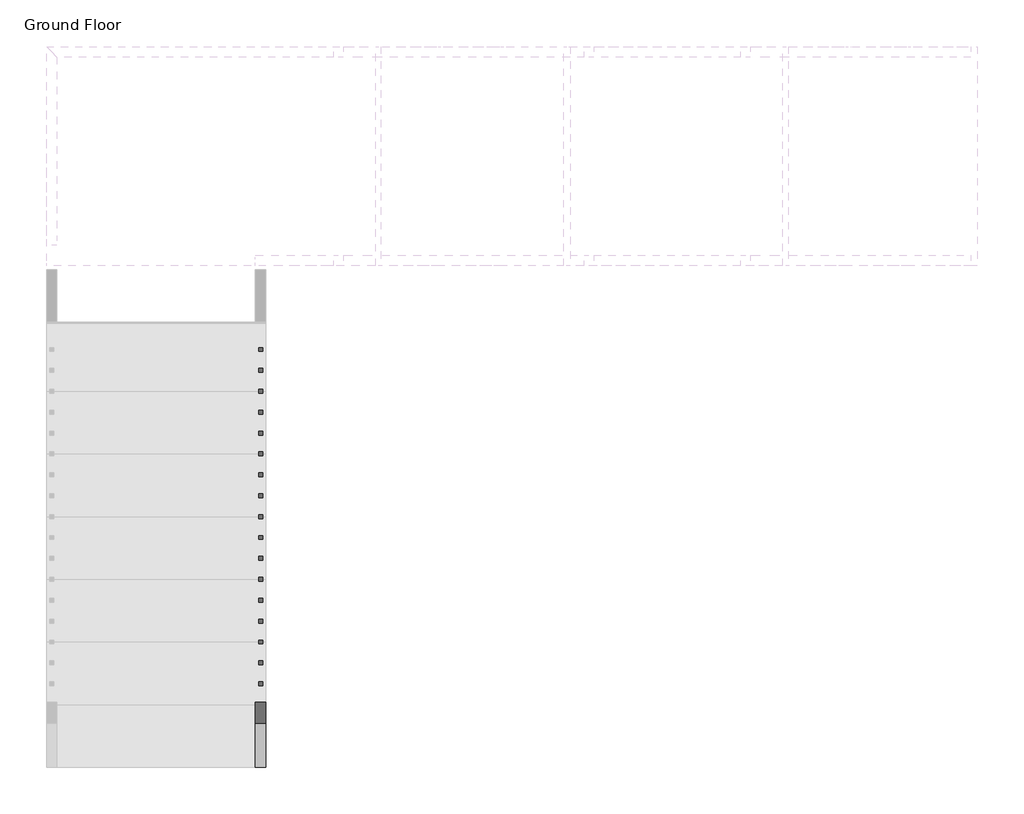
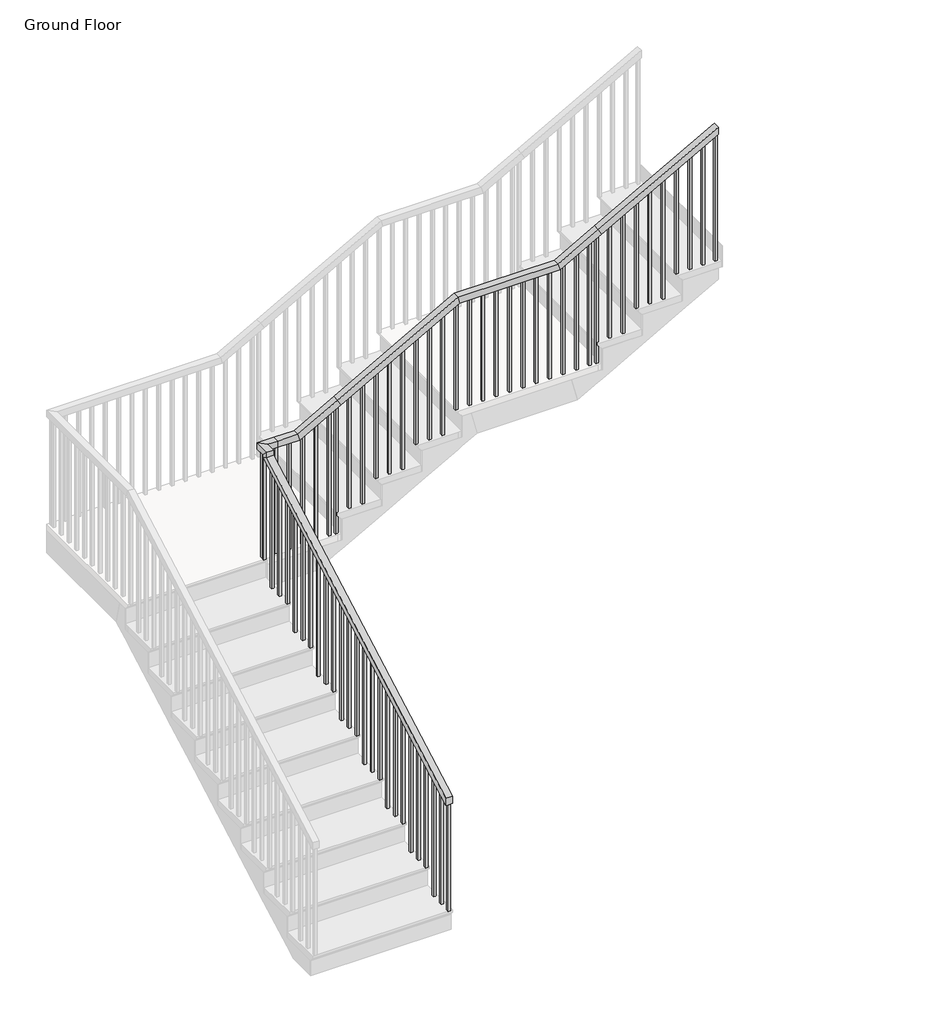
# One storey, part 5 of 10: 1 railing.
"""IFC4 building model written with IfcOpenShell, lengths in millimetres."""

from ifc_helpers import new_model, si_unit, frame, origin, place, context, project, spatial, polyline, outline, extrude, faceted_brep, element, save

model = new_model("IFC4")

# Units and contexts
model_context = context("Model", 3, world=origin())
ifc_project = project(units=[si_unit("LENGTHUNIT", "METRE", prefix="MILLI")], contexts=[model_context])

# Site, building, storey
site = spatial("IfcSite", under=ifc_project)
building = spatial("IfcBuilding", under=site)
storey = spatial("IfcBuildingStorey", under=building, Name="Ground Floor", Elevation=0.0)

# Railing
placement = place(None, origin())
element("IfcRailing", 1, ObjectType="Handrail - Rectangular", at=placement, inside=storey, context=model_context, shape_type="SolidModel", body=[
    faceted_brep([(37586.4404708, -15539.550078, 1083.2352941), (37586.4404708, -15539.550078, 1025.162448), (37637.2404708, -15539.550078, 1025.162448), (37637.2404708, -15539.550078, 1083.2352941), (37586.4404708, -13177.350078, 2391.7088235), (37586.4404708, -13126.550078, 2361.7751931), (37637.2404708, -13126.550078, 2361.7751931), (37637.2404708, -13177.350078, 2391.7088235), (37586.4404708, -13177.350078, 2433.9176471), (37586.4404708, -13126.550078, 2383.1176471), (37637.2404708, -13126.550078, 2383.1176471), (37637.2404708, -13177.350078, 2433.9176471), (37586.4404708, -13050.350078, 2433.9176471), (37586.4404708, -13050.350078, 2383.1176471), (37637.2404708, -13101.150078, 2383.1176471), (37637.2404708, -13101.150078, 2433.9176471), (37713.4404708, -13050.350078, 2433.9176471), (37713.4404708, -13050.350078, 2383.1176471), (37713.4404708, -13101.150078, 2383.1176471), (37713.4404708, -13101.150078, 2433.9176471), (37865.8404708, -13050.350078, 2433.9176471), (37878.9702107, -13050.350078, 2383.1176471), (37878.9702107, -13101.150078, 2383.1176471), (37865.8404708, -13101.150078, 2433.9176471), (38195.2556266, -13050.350078, 2558.3149608), (38170.6404708, -13050.350078, 2602.7529412), (39085.0404708, -13050.350078, 3109.2588235), (39098.1702107, -13050.350078, 3058.4588235), (38195.2556266, -13101.150078, 2558.3149608), (39098.1702107, -13101.150078, 3058.4588235), (38170.6404708, -13101.150078, 2602.7529412), (39085.0404708, -13101.150078, 3109.2588235), (39847.0404708, -13050.350078, 3109.2588235), (39860.1702107, -13050.350078, 3058.4588235), (39860.1702107, -13101.150078, 3058.4588235), (39847.0404708, -13101.150078, 3109.2588235), (40151.8404708, -13050.350078, 3278.0941176), (40176.4556266, -13050.350078, 3233.6561372), (40176.4556266, -13101.150078, 3233.6561372), (40151.8404708, -13101.150078, 3278.0941176), (41066.2404708, -13050.350078, 3784.6), (41066.2404708, -13101.150078, 3784.6), (41066.2404708, -13101.150078, 3726.5271539), (41066.2404708, -13050.350078, 3726.5271539)], [[[0, 1, 2, 3]], [[1, 0, 4, 5]], [[2, 1, 5, 6]], [[3, 2, 6, 7]], [[0, 3, 7, 4]], [[5, 4, 8, 9]], [[6, 5, 9, 10]], [[7, 6, 10, 11]], [[4, 7, 11, 8]], [[9, 8, 12, 13]], [[10, 9, 13, 14]], [[11, 10, 14, 15]], [[8, 11, 15, 12]], [[13, 12, 16, 17]], [[14, 13, 17, 18]], [[15, 14, 18, 19]], [[12, 15, 19, 16]], [[17, 16, 20, 21]], [[18, 17, 21, 22]], [[19, 18, 22, 23]], [[16, 19, 23, 20]], [[24, 25, 26, 27]], [[28, 24, 27, 29]], [[30, 28, 29, 31]], [[25, 30, 31, 26]], [[27, 26, 32, 33]], [[29, 27, 33, 34]], [[31, 29, 34, 35]], [[26, 31, 35, 32]], [[21, 20, 25, 24]], [[22, 21, 24, 28]], [[23, 22, 28, 30]], [[20, 23, 30, 25]], [[33, 32, 36, 37]], [[34, 33, 37, 38]], [[35, 34, 38, 39]], [[32, 35, 39, 36]], [[40, 41, 42, 43]], [[37, 36, 40, 43]], [[38, 37, 43, 42]], [[39, 38, 42, 41]], [[36, 39, 41, 40]]]),
    extrude(outline(polyline([(3675.5248254, 40974.1654708), (3664.9726195, 40955.1154708), (2701.3647059, 40955.1154708), (2701.3647059, 40974.1654708), (3675.5248254, 40974.1654708)])), frame((0.0, -13085.275078, 0.0), z_axis=(0.0, 1.0, 0.0), x_axis=(0.0, 0.0, 1.0)), (0.0, 0.0, 1.0), 19.05),
    extrude(outline(polyline([(3619.2463941, 40872.5654708), (3608.6941882, 40853.5154708), (2701.3647059, 40853.5154708), (2701.3647059, 40872.5654708), (3619.2463941, 40872.5654708)])), frame((0.0, -13085.275078, 0.0), z_axis=(0.0, 1.0, 0.0), x_axis=(0.0, 0.0, 1.0)), (0.0, 0.0, 1.0), 19.05),
    extrude(outline(polyline([(3562.9679627, 40770.9654708), (3552.4157568, 40751.9154708), (2701.3647059, 40751.9154708), (2701.3647059, 40770.9654708), (3562.9679627, 40770.9654708)])), frame((0.0, -13085.275078, 0.0), z_axis=(0.0, 1.0, 0.0), x_axis=(0.0, 0.0, 1.0)), (0.0, 0.0, 1.0), 19.05),
    extrude(outline(polyline([(3506.6895313, 40669.3654708), (3496.1373254, 40650.3154708), (2532.5294118, 40650.3154708), (2532.5294118, 40669.3654708), (3506.6895313, 40669.3654708)])), frame((0.0, -13085.275078, 0.0), z_axis=(0.0, 1.0, 0.0), x_axis=(0.0, 0.0, 1.0)), (0.0, 0.0, 1.0), 19.05),
    extrude(outline(polyline([(3450.4110999, 40567.7654708), (3439.8588941, 40548.7154708), (2532.5294118, 40548.7154708), (2532.5294118, 40567.7654708), (3450.4110999, 40567.7654708)])), frame((0.0, -13085.275078, 0.0), z_axis=(0.0, 1.0, 0.0), x_axis=(0.0, 0.0, 1.0)), (0.0, 0.0, 1.0), 19.05),
    extrude(outline(polyline([(3394.1326686, 40466.1654708), (3383.5804627, 40447.1154708), (2532.5294118, 40447.1154708), (2532.5294118, 40466.1654708), (3394.1326686, 40466.1654708)])), frame((0.0, -13085.275078, 0.0), z_axis=(0.0, 1.0, 0.0), x_axis=(0.0, 0.0, 1.0)), (0.0, 0.0, 1.0), 19.05),
    extrude(outline(polyline([(3337.8542372, 40364.5654708), (3327.3020313, 40345.5154708), (2363.6941176, 40345.5154708), (2363.6941176, 40364.5654708), (3337.8542372, 40364.5654708)])), frame((0.0, -13085.275078, 0.0), z_axis=(0.0, 1.0, 0.0), x_axis=(0.0, 0.0, 1.0)), (0.0, 0.0, 1.0), 19.05),
    extrude(outline(polyline([(3281.5758058, 40262.9654708), (3271.0235999, 40243.9154708), (2363.6941176, 40243.9154708), (2363.6941176, 40262.9654708), (3281.5758058, 40262.9654708)])), frame((0.0, -13085.275078, 0.0), z_axis=(0.0, 1.0, 0.0), x_axis=(0.0, 0.0, 1.0)), (0.0, 0.0, 1.0), 19.05),
    extrude(outline(polyline([(3197.1581588, 40110.5654708), (3186.6059529, 40091.5154708), (2194.8588235, 40091.5154708), (2194.8588235, 40110.5654708), (3197.1581588, 40110.5654708)])), frame((0.0, -13085.275078, 0.0), z_axis=(0.0, 1.0, 0.0), x_axis=(0.0, 0.0, 1.0)), (0.0, 0.0, 1.0), 19.05),
    extrude(outline(polyline([(3140.8797274, 40008.9654708), (3130.3275215, 39989.9154708), (2194.8588235, 39989.9154708), (2194.8588235, 40008.9654708), (3140.8797274, 40008.9654708)])), frame((0.0, -13085.275078, 0.0), z_axis=(0.0, 1.0, 0.0), x_axis=(0.0, 0.0, 1.0)), (0.0, 0.0, 1.0), 19.05),
    extrude(outline(polyline([(3084.601296, 39907.3654708), (3074.0490901, 39888.3154708), (2194.8588235, 39888.3154708), (2194.8588235, 39907.3654708), (3084.601296, 39907.3654708)])), frame((0.0, -13085.275078, 0.0), z_axis=(0.0, 1.0, 0.0), x_axis=(0.0, 0.0, 1.0)), (0.0, 0.0, 1.0), 19.05),
    extrude(outline(polyline([(39786.7154708, -13085.275078), (39786.7154708, -13066.225078), (39805.7654708, -13066.225078), (39805.7654708, -13085.275078), (39786.7154708, -13085.275078)])), frame((0.0, 0.0, 2194.8588235), z_axis=(0.0, 0.0, 1.0), x_axis=(1.0, 0.0, 0.0)), (0.0, 0.0, 1.0), 863.6),
    extrude(outline(polyline([(39685.1154708, -13085.275078), (39685.1154708, -13066.225078), (39704.1654708, -13066.225078), (39704.1654708, -13085.275078), (39685.1154708, -13085.275078)])), frame((0.0, 0.0, 2194.8588235), z_axis=(0.0, 0.0, 1.0), x_axis=(1.0, 0.0, 0.0)), (0.0, 0.0, 1.0), 863.6),
    extrude(outline(polyline([(39583.5154708, -13085.275078), (39583.5154708, -13066.225078), (39602.5654708, -13066.225078), (39602.5654708, -13085.275078), (39583.5154708, -13085.275078)])), frame((0.0, 0.0, 2194.8588235), z_axis=(0.0, 0.0, 1.0), x_axis=(1.0, 0.0, 0.0)), (0.0, 0.0, 1.0), 863.6),
    extrude(outline(polyline([(39481.9154708, -13085.275078), (39481.9154708, -13066.225078), (39500.9654708, -13066.225078), (39500.9654708, -13085.275078), (39481.9154708, -13085.275078)])), frame((0.0, 0.0, 2194.8588235), z_axis=(0.0, 0.0, 1.0), x_axis=(1.0, 0.0, 0.0)), (0.0, 0.0, 1.0), 863.6),
    extrude(outline(polyline([(39380.3154708, -13085.275078), (39380.3154708, -13066.225078), (39399.3654708, -13066.225078), (39399.3654708, -13085.275078), (39380.3154708, -13085.275078)])), frame((0.0, 0.0, 2194.8588235), z_axis=(0.0, 0.0, 1.0), x_axis=(1.0, 0.0, 0.0)), (0.0, 0.0, 1.0), 863.6),
    extrude(outline(polyline([(39278.7154708, -13085.275078), (39278.7154708, -13066.225078), (39297.7654708, -13066.225078), (39297.7654708, -13085.275078), (39278.7154708, -13085.275078)])), frame((0.0, 0.0, 2194.8588235), z_axis=(0.0, 0.0, 1.0), x_axis=(1.0, 0.0, 0.0)), (0.0, 0.0, 1.0), 863.6),
    extrude(outline(polyline([(39177.1154708, -13085.275078), (39177.1154708, -13066.225078), (39196.1654708, -13066.225078), (39196.1654708, -13085.275078), (39177.1154708, -13085.275078)])), frame((0.0, 0.0, 2194.8588235), z_axis=(0.0, 0.0, 1.0), x_axis=(1.0, 0.0, 0.0)), (0.0, 0.0, 1.0), 863.6),
    extrude(outline(polyline([(3000.183649, 38992.9654708), (2989.6314431, 38973.9154708), (2026.0235294, 38973.9154708), (2026.0235294, 38992.9654708), (3000.183649, 38992.9654708)])), frame((0.0, -13085.275078, 0.0), z_axis=(0.0, 1.0, 0.0), x_axis=(0.0, 0.0, 1.0)), (0.0, 0.0, 1.0), 19.05),
    extrude(outline(polyline([(2943.9052176, 38891.3654708), (2933.3530117, 38872.3154708), (2026.0235294, 38872.3154708), (2026.0235294, 38891.3654708), (2943.9052176, 38891.3654708)])), frame((0.0, -13085.275078, 0.0), z_axis=(0.0, 1.0, 0.0), x_axis=(0.0, 0.0, 1.0)), (0.0, 0.0, 1.0), 19.05),
    extrude(outline(polyline([(2887.6267862, 38789.7654708), (2877.0745803, 38770.7154708), (2026.0235294, 38770.7154708), (2026.0235294, 38789.7654708), (2887.6267862, 38789.7654708)])), frame((0.0, -13085.275078, 0.0), z_axis=(0.0, 1.0, 0.0), x_axis=(0.0, 0.0, 1.0)), (0.0, 0.0, 1.0), 19.05),
    extrude(outline(polyline([(2831.3483548, 38688.1654708), (2820.796149, 38669.1154708), (1857.1882353, 38669.1154708), (1857.1882353, 38688.1654708), (2831.3483548, 38688.1654708)])), frame((0.0, -13085.275078, 0.0), z_axis=(0.0, 1.0, 0.0), x_axis=(0.0, 0.0, 1.0)), (0.0, 0.0, 1.0), 19.05),
    extrude(outline(polyline([(2775.0699235, 38586.5654708), (2764.5177176, 38567.5154708), (1857.1882353, 38567.5154708), (1857.1882353, 38586.5654708), (2775.0699235, 38586.5654708)])), frame((0.0, -13085.275078, 0.0), z_axis=(0.0, 1.0, 0.0), x_axis=(0.0, 0.0, 1.0)), (0.0, 0.0, 1.0), 19.05),
    extrude(outline(polyline([(2718.7914921, 38484.9654708), (2708.2392862, 38465.9154708), (1857.1882353, 38465.9154708), (1857.1882353, 38484.9654708), (2718.7914921, 38484.9654708)])), frame((0.0, -13085.275078, 0.0), z_axis=(0.0, 1.0, 0.0), x_axis=(0.0, 0.0, 1.0)), (0.0, 0.0, 1.0), 19.05),
    extrude(outline(polyline([(2662.5130607, 38383.3654708), (2651.9608548, 38364.3154708), (1688.3529412, 38364.3154708), (1688.3529412, 38383.3654708), (2662.5130607, 38383.3654708)])), frame((0.0, -13085.275078, 0.0), z_axis=(0.0, 1.0, 0.0), x_axis=(0.0, 0.0, 1.0)), (0.0, 0.0, 1.0), 19.05),
    extrude(outline(polyline([(2606.2346293, 38281.7654708), (2595.6824235, 38262.7154708), (1688.3529412, 38262.7154708), (1688.3529412, 38281.7654708), (2606.2346293, 38281.7654708)])), frame((0.0, -13085.275078, 0.0), z_axis=(0.0, 1.0, 0.0), x_axis=(0.0, 0.0, 1.0)), (0.0, 0.0, 1.0), 19.05),
    extrude(outline(polyline([(2521.8169823, 38129.3654708), (2511.2647764, 38110.3154708), (1519.5176471, 38110.3154708), (1519.5176471, 38129.3654708), (2521.8169823, 38129.3654708)])), frame((0.0, -13085.275078, 0.0), z_axis=(0.0, 1.0, 0.0), x_axis=(0.0, 0.0, 1.0)), (0.0, 0.0, 1.0), 19.05),
    extrude(outline(polyline([(2465.5385509, 38027.7654708), (2454.986345, 38008.7154708), (1519.5176471, 38008.7154708), (1519.5176471, 38027.7654708), (2465.5385509, 38027.7654708)])), frame((0.0, -13085.275078, 0.0), z_axis=(0.0, 1.0, 0.0), x_axis=(0.0, 0.0, 1.0)), (0.0, 0.0, 1.0), 19.05),
    extrude(outline(polyline([(2409.2601195, 37926.1654708), (2398.7079137, 37907.1154708), (1519.5176471, 37907.1154708), (1519.5176471, 37926.1654708), (2409.2601195, 37926.1654708)])), frame((0.0, -13085.275078, 0.0), z_axis=(0.0, 1.0, 0.0), x_axis=(0.0, 0.0, 1.0)), (0.0, 0.0, 1.0), 19.05),
    extrude(outline(polyline([(37805.5154708, -13085.275078), (37805.5154708, -13066.225078), (37824.5654708, -13066.225078), (37824.5654708, -13085.275078), (37805.5154708, -13085.275078)])), frame((0.0, 0.0, 1519.5176471), z_axis=(0.0, 0.0, 1.0), x_axis=(1.0, 0.0, 0.0)), (0.0, 0.0, 1.0), 863.6),
    extrude(outline(polyline([(37703.9154708, -13085.275078), (37703.9154708, -13066.225078), (37722.9654708, -13066.225078), (37722.9654708, -13085.275078), (37703.9154708, -13085.275078)])), frame((0.0, 0.0, 1519.5176471), z_axis=(0.0, 0.0, 1.0), x_axis=(1.0, 0.0, 0.0)), (0.0, 0.0, 1.0), 863.6),
    extrude(outline(polyline([(37621.3654708, -13110.675078), (37602.3154708, -13110.675078), (37602.3154708, -13091.625078), (37621.3654708, -13091.625078), (37621.3654708, -13110.675078)])), frame((0.0, 0.0, 1519.5176471), z_axis=(0.0, 0.0, 1.0), x_axis=(1.0, 0.0, 0.0)), (0.0, 0.0, 1.0), 863.6),
    extrude(outline(polyline([(-13212.275078, 2314.2902666), (-13193.225078, 2324.8424725), (-13193.225078, 1350.6823529), (-13212.275078, 1350.6823529), (-13212.275078, 2314.2902666)])), frame((37602.3154708, 0.0, 0.0), z_axis=(1.0, 0.0, 0.0), x_axis=(0.0, 1.0, 0.0)), (0.0, 0.0, 1.0), 19.05),
    extrude(outline(polyline([(-13313.875078, 2258.0118352), (-13294.825078, 2268.5640411), (-13294.825078, 1350.6823529), (-13313.875078, 1350.6823529), (-13313.875078, 2258.0118352)])), frame((37602.3154708, 0.0, 0.0), z_axis=(1.0, 0.0, 0.0), x_axis=(0.0, 1.0, 0.0)), (0.0, 0.0, 1.0), 19.05),
    extrude(outline(polyline([(-13415.475078, 2201.7334039), (-13396.425078, 2212.2856097), (-13396.425078, 1350.6823529), (-13415.475078, 1350.6823529), (-13415.475078, 2201.7334039)])), frame((37602.3154708, 0.0, 0.0), z_axis=(1.0, 0.0, 0.0), x_axis=(0.0, 1.0, 0.0)), (0.0, 0.0, 1.0), 19.05),
    extrude(outline(polyline([(-13517.075078, 2145.4549725), (-13498.025078, 2156.0071784), (-13498.025078, 1181.8470588), (-13517.075078, 1181.8470588), (-13517.075078, 2145.4549725)])), frame((37602.3154708, 0.0, 0.0), z_axis=(1.0, 0.0, 0.0), x_axis=(0.0, 1.0, 0.0)), (0.0, 0.0, 1.0), 19.05),
    extrude(outline(polyline([(-13618.675078, 2089.1765411), (-13599.625078, 2099.728747), (-13599.625078, 1181.8470588), (-13618.675078, 1181.8470588), (-13618.675078, 2089.1765411)])), frame((37602.3154708, 0.0, 0.0), z_axis=(1.0, 0.0, 0.0), x_axis=(0.0, 1.0, 0.0)), (0.0, 0.0, 1.0), 19.05),
    extrude(outline(polyline([(-13720.275078, 2032.8981097), (-13701.225078, 2043.4503156), (-13701.225078, 1181.8470588), (-13720.275078, 1181.8470588), (-13720.275078, 2032.8981097)])), frame((37602.3154708, 0.0, 0.0), z_axis=(1.0, 0.0, 0.0), x_axis=(0.0, 1.0, 0.0)), (0.0, 0.0, 1.0), 19.05),
    extrude(outline(polyline([(-13821.875078, 1976.6196784), (-13802.825078, 1987.1718842), (-13802.825078, 1013.0117647), (-13821.875078, 1013.0117647), (-13821.875078, 1976.6196784)])), frame((37602.3154708, 0.0, 0.0), z_axis=(1.0, 0.0, 0.0), x_axis=(0.0, 1.0, 0.0)), (0.0, 0.0, 1.0), 19.05),
    extrude(outline(polyline([(-13923.475078, 1920.341247), (-13904.425078, 1930.8934529), (-13904.425078, 1013.0117647), (-13923.475078, 1013.0117647), (-13923.475078, 1920.341247)])), frame((37602.3154708, 0.0, 0.0), z_axis=(1.0, 0.0, 0.0), x_axis=(0.0, 1.0, 0.0)), (0.0, 0.0, 1.0), 19.05),
    extrude(outline(polyline([(-14025.075078, 1864.0628156), (-14006.025078, 1874.6150215), (-14006.025078, 1013.0117647), (-14025.075078, 1013.0117647), (-14025.075078, 1864.0628156)])), frame((37602.3154708, 0.0, 0.0), z_axis=(1.0, 0.0, 0.0), x_axis=(0.0, 1.0, 0.0)), (0.0, 0.0, 1.0), 19.05),
    extrude(outline(polyline([(-14126.675078, 1807.7843842), (-14107.625078, 1818.3365901), (-14107.625078, 844.1764706), (-14126.675078, 844.1764706), (-14126.675078, 1807.7843842)])), frame((37602.3154708, 0.0, 0.0), z_axis=(1.0, 0.0, 0.0), x_axis=(0.0, 1.0, 0.0)), (0.0, 0.0, 1.0), 19.05),
    extrude(outline(polyline([(-14228.275078, 1751.5059529), (-14209.225078, 1762.0581588), (-14209.225078, 844.1764706), (-14228.275078, 844.1764706), (-14228.275078, 1751.5059529)])), frame((37602.3154708, 0.0, 0.0), z_axis=(1.0, 0.0, 0.0), x_axis=(0.0, 1.0, 0.0)), (0.0, 0.0, 1.0), 19.05),
    extrude(outline(polyline([(-14329.875078, 1695.2275215), (-14310.825078, 1705.7797274), (-14310.825078, 844.1764706), (-14329.875078, 844.1764706), (-14329.875078, 1695.2275215)])), frame((37602.3154708, 0.0, 0.0), z_axis=(1.0, 0.0, 0.0), x_axis=(0.0, 1.0, 0.0)), (0.0, 0.0, 1.0), 19.05),
    extrude(outline(polyline([(-14431.475078, 1638.9490901), (-14412.425078, 1649.501296), (-14412.425078, 675.3411765), (-14431.475078, 675.3411765), (-14431.475078, 1638.9490901)])), frame((37602.3154708, 0.0, 0.0), z_axis=(1.0, 0.0, 0.0), x_axis=(0.0, 1.0, 0.0)), (0.0, 0.0, 1.0), 19.05),
    extrude(outline(polyline([(-14533.075078, 1582.6706588), (-14514.025078, 1593.2228646), (-14514.025078, 675.3411765), (-14533.075078, 675.3411765), (-14533.075078, 1582.6706588)])), frame((37602.3154708, 0.0, 0.0), z_axis=(1.0, 0.0, 0.0), x_axis=(0.0, 1.0, 0.0)), (0.0, 0.0, 1.0), 19.05),
    extrude(outline(polyline([(-14634.675078, 1526.3922274), (-14615.625078, 1536.9444333), (-14615.625078, 675.3411765), (-14634.675078, 675.3411765), (-14634.675078, 1526.3922274)])), frame((37602.3154708, 0.0, 0.0), z_axis=(1.0, 0.0, 0.0), x_axis=(0.0, 1.0, 0.0)), (0.0, 0.0, 1.0), 19.05),
    extrude(outline(polyline([(-14736.275078, 1470.113796), (-14717.225078, 1480.6660019), (-14717.225078, 506.5058824), (-14736.275078, 506.5058824), (-14736.275078, 1470.113796)])), frame((37602.3154708, 0.0, 0.0), z_axis=(1.0, 0.0, 0.0), x_axis=(0.0, 1.0, 0.0)), (0.0, 0.0, 1.0), 19.05),
    extrude(outline(polyline([(-14837.875078, 1413.8353646), (-14818.825078, 1424.3875705), (-14818.825078, 506.5058824), (-14837.875078, 506.5058824), (-14837.875078, 1413.8353646)])), frame((37602.3154708, 0.0, 0.0), z_axis=(1.0, 0.0, 0.0), x_axis=(0.0, 1.0, 0.0)), (0.0, 0.0, 1.0), 19.05),
    extrude(outline(polyline([(-14939.475078, 1357.5569333), (-14920.425078, 1368.1091391), (-14920.425078, 506.5058824), (-14939.475078, 506.5058824), (-14939.475078, 1357.5569333)])), frame((37602.3154708, 0.0, 0.0), z_axis=(1.0, 0.0, 0.0), x_axis=(0.0, 1.0, 0.0)), (0.0, 0.0, 1.0), 19.05),
    extrude(outline(polyline([(-15041.075078, 1301.2785019), (-15022.025078, 1311.8307078), (-15022.025078, 337.6705882), (-15041.075078, 337.6705882), (-15041.075078, 1301.2785019)])), frame((37602.3154708, 0.0, 0.0), z_axis=(1.0, 0.0, 0.0), x_axis=(0.0, 1.0, 0.0)), (0.0, 0.0, 1.0), 19.05),
    extrude(outline(polyline([(-15142.675078, 1245.0000705), (-15123.625078, 1255.5522764), (-15123.625078, 337.6705882), (-15142.675078, 337.6705882), (-15142.675078, 1245.0000705)])), frame((37602.3154708, 0.0, 0.0), z_axis=(1.0, 0.0, 0.0), x_axis=(0.0, 1.0, 0.0)), (0.0, 0.0, 1.0), 19.05),
    extrude(outline(polyline([(-15244.275078, 1188.7216391), (-15225.225078, 1199.273845), (-15225.225078, 337.6705882), (-15244.275078, 337.6705882), (-15244.275078, 1188.7216391)])), frame((37602.3154708, 0.0, 0.0), z_axis=(1.0, 0.0, 0.0), x_axis=(0.0, 1.0, 0.0)), (0.0, 0.0, 1.0), 19.05),
    extrude(outline(polyline([(-15345.875078, 1132.4432078), (-15326.825078, 1142.9954137), (-15326.825078, 168.8352941), (-15345.875078, 168.8352941), (-15345.875078, 1132.4432078)])), frame((37602.3154708, 0.0, 0.0), z_axis=(1.0, 0.0, 0.0), x_axis=(0.0, 1.0, 0.0)), (0.0, 0.0, 1.0), 19.05),
    extrude(outline(polyline([(-15447.475078, 1076.1647764), (-15428.425078, 1086.7169823), (-15428.425078, 168.8352941), (-15447.475078, 168.8352941), (-15447.475078, 1076.1647764)])), frame((37602.3154708, 0.0, 0.0), z_axis=(1.0, 0.0, 0.0), x_axis=(0.0, 1.0, 0.0)), (0.0, 0.0, 1.0), 19.05),
    extrude(outline(polyline([(3225.2973744, 40161.3654708), (3214.7451686, 40142.3154708), (2194.8588235, 40142.3154708), (2194.8588235, 40161.3654708), (3225.2973744, 40161.3654708)])), frame((0.0, -13085.275078, 0.0), z_axis=(0.0, 1.0, 0.0), x_axis=(0.0, 0.0, 1.0)), (0.0, 0.0, 1.0), 19.05),
    extrude(outline(polyline([(3056.4620803, 39094.5654708), (3045.9098744, 39075.5154708), (2194.8588235, 39075.5154708), (2194.8588235, 39094.5654708), (3056.4620803, 39094.5654708)])), frame((0.0, -13085.275078, 0.0), z_axis=(0.0, 1.0, 0.0), x_axis=(0.0, 0.0, 1.0)), (0.0, 0.0, 1.0), 19.05),
    extrude(outline(polyline([(2549.956198, 38180.1654708), (2539.4039921, 38161.1154708), (1519.5176471, 38161.1154708), (1519.5176471, 38180.1654708), (2549.956198, 38180.1654708)])), frame((0.0, -13085.275078, 0.0), z_axis=(0.0, 1.0, 0.0), x_axis=(0.0, 0.0, 1.0)), (0.0, 0.0, 1.0), 19.05),
    extrude(outline(polyline([(37621.3654708, -13085.275078), (37602.3154708, -13085.275078), (37602.3154708, -13066.225078), (37621.3654708, -13066.225078), (37621.3654708, -13085.275078)])), frame((0.0, 0.0, 1519.5176471), z_axis=(0.0, 0.0, 1.0), x_axis=(1.0, 0.0, 0.0)), (0.0, 0.0, 1.0), 863.6),
    extrude(outline(polyline([(3726.5271539, 41066.2404708), (3715.974948, 41047.1904708), (2701.3647059, 41047.1904708), (2701.3647059, 41066.2404708), (3726.5271539, 41066.2404708)])), frame((0.0, -13085.275078, 0.0), z_axis=(0.0, 1.0, 0.0), x_axis=(0.0, 0.0, 1.0)), (0.0, 0.0, 1.0), 19.05),
    extrude(outline(polyline([(-15539.550078, 1025.162448), (-15520.500078, 1035.7146539), (-15520.500078, 168.8352941), (-15539.550078, 168.8352941), (-15539.550078, 1025.162448)])), frame((37602.3154708, 0.0, 0.0), z_axis=(1.0, 0.0, 0.0), x_axis=(0.0, 1.0, 0.0)), (0.0, 0.0, 1.0), 19.05),
])

save(model, "model.ifc")
